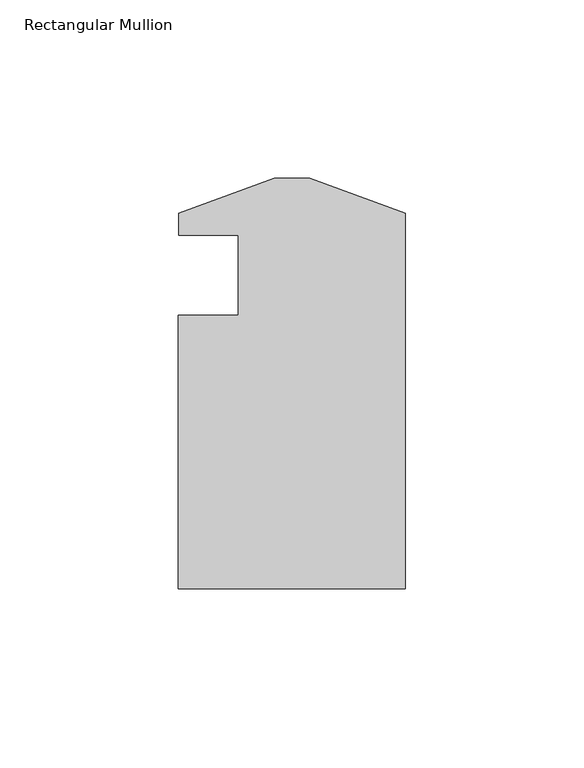
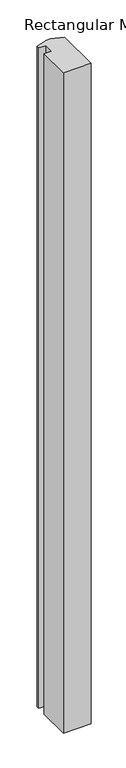
"""IFC4 building model written with IfcOpenShell, lengths in millimetres: member geometry, Rectangular Mullion."""

from ifc_helpers import new_model, si_unit, frame, origin, place, context, project, spatial, polyline, outline, extrude, source, transform, mapped, element, save


def rectangular_mullion_00ce2daf(model_context):
    return source(origin(), model_context, "Body", "SweptSolid", [
        extrude(outline(polyline([(0.0, -114.5309812), (-63.5, -114.5309813), (-63.5, -38.0007813), (-46.8122, -38.0007813), (-46.8122, -15.5217813), (-63.4796279, -15.5217812), (-63.4499958, -9.4257813), (-36.6522, 0.3278187), (-26.7977958, 0.3278187), (0.0, -9.4257813), (0.0, -114.5309812)])), frame((0.0, 0.0, -1612.9), z_axis=(0.0, 0.0, 1.0), x_axis=(1.0, 0.0, 0.0)), (0.0, 0.0, 1.0), 1612.9),
    ])


if __name__ == "__main__":
    model = new_model("IFC4")
    model_context = context("Model", 3, world=origin())
    ifc_project = project(units=[si_unit("LENGTHUNIT", "METRE", prefix="MILLI")], contexts=[model_context])
    site = spatial("IfcSite", under=ifc_project)
    building = spatial("IfcBuilding", under=site)
    placement = place(None, origin())
    rectangular_mullion_shape = rectangular_mullion_00ce2daf(model_context)
    element("IfcMember", 1, ObjectType="Rectangular Mullion", at=placement, inside=building, context=model_context, shape_type="MappedRepresentation", body=[
        mapped(rectangular_mullion_shape, transform((0.0, 0.0, 0.0), x_axis=(1.0, 0.0, 0.0), y_axis=(0.0, 1.0, 0.0), z_axis=(0.0, 0.0, 1.0))),
    ])
    save(model, "model.ifc")
